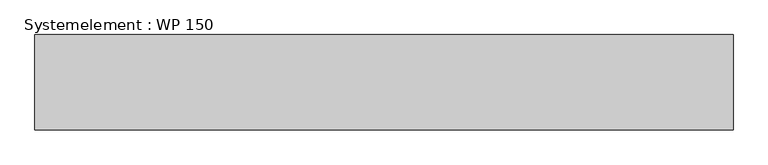
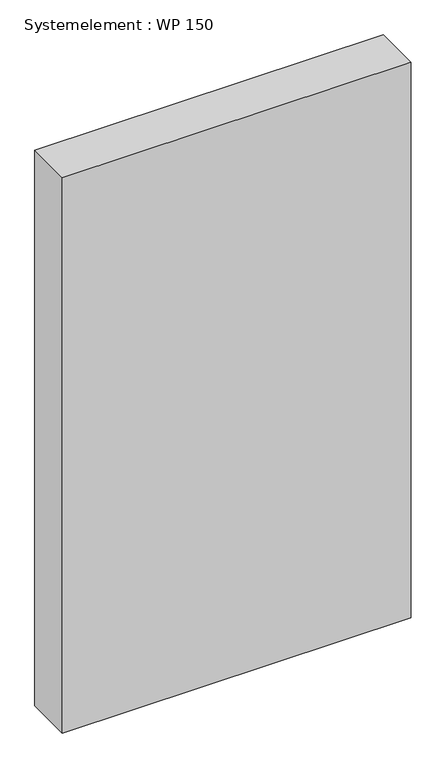
"""IFC4 building model written with IfcOpenShell, lengths in millimetres: plate geometry, Systemelement : WP 150."""

from ifc_helpers import new_model, si_unit, origin, origin_with_axes, place, context, project, spatial, polyline, outline, extrude, source, transform, mapped, element, save


def systemelement_wp_150_41011c74(model_context):
    return source(origin(), model_context, "Body", "SweptSolid", [
        extrude(outline(polyline([(550.0, -150.0), (-550.0, -150.0), (-550.0, 0.0), (550.0, 0.0), (550.0, -150.0)])), origin_with_axes(), (0.0, 0.0, 1.0), 1851.6147161),
    ])


if __name__ == "__main__":
    model = new_model("IFC4")
    model_context = context("Model", 3, world=origin())
    ifc_project = project(units=[si_unit("LENGTHUNIT", "METRE", prefix="MILLI")], contexts=[model_context])
    site = spatial("IfcSite", under=ifc_project)
    building = spatial("IfcBuilding", under=site)
    placement = place(None, origin())
    systemelement_wp_150_shape = systemelement_wp_150_41011c74(model_context)
    element("IfcPlate", 1, ObjectType="Systemelement : WP 150", at=placement, inside=building, context=model_context, shape_type="MappedRepresentation", body=[
        mapped(systemelement_wp_150_shape, transform((0.0, 0.0, 0.0), x_axis=(1.0, 0.0, 0.0), y_axis=(0.0, 1.0, 0.0), z_axis=(0.0, 0.0, 1.0))),
    ])
    save(model, "model.ifc")
